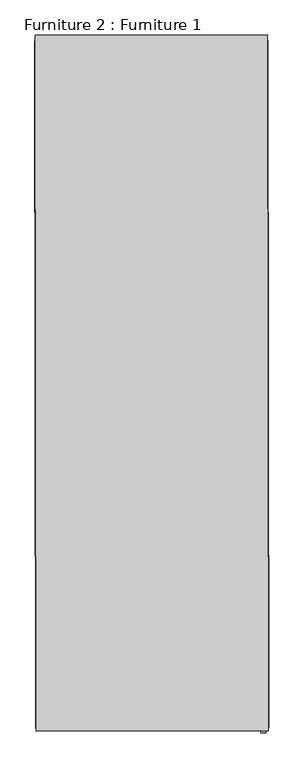
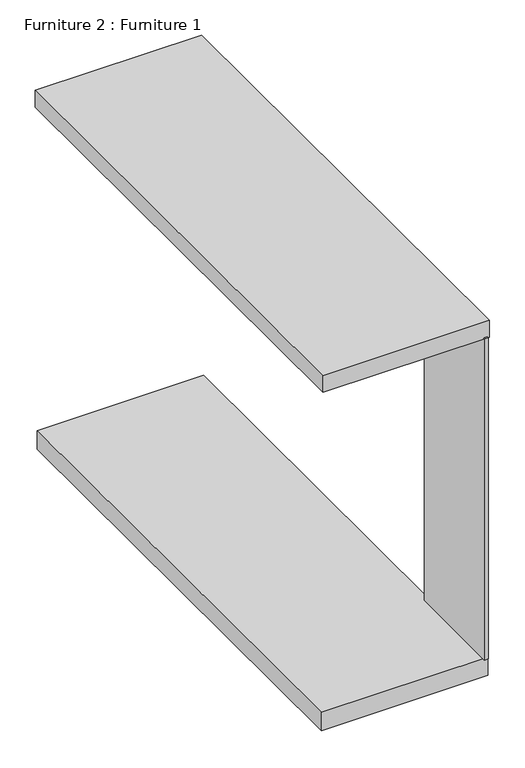
"""IFC4 building model written with IfcOpenShell, lengths in millimetres: furniture geometry, Furniture 2 : Furniture 1."""

from ifc_helpers import new_model, si_unit, frame, origin, place, context, project, spatial, polyline, outline, extrude, source, transform, mapped, element, save


def furniture_2_furniture_1_8a51887e(model_context):
    return source(origin(), model_context, "Body", "SweptSolid", [
        extrude(outline(polyline([(-45007.0922467, 46398.1433164), (-45015.049007, 46398.1595719), (-45014.6017786, 46617.0693891), (-45006.6450182, 46617.0531336), (-45007.0922467, 46398.1433164)])), frame((0.0, 0.0, 109604.9372463), z_axis=(0.0, 0.0, 1.0), x_axis=(1.0, 0.0, 0.0)), (0.0, 0.0, 1.0), 712.4977865),
        extrude(outline(polyline([(-45354.0235929, 47444.8714633), (-45004.7119916, 47445.3873746), (-45003.169854, 46401.2417137), (-45352.4814553, 46400.7258023), (-45354.0235929, 47444.8714633)])), frame((0.0, 0.0, 110315.1862888), z_axis=(0.0, 0.0, 1.0), x_axis=(1.0, 0.0, 0.0)), (0.0, 0.0, 1.0), 37.0266931),
        extrude(outline(polyline([(-45354.3009794, 47436.6428925), (-45004.5066488, 47437.1595168), (-45002.9838596, 46406.1142327), (-45352.7781902, 46405.5976084), (-45354.3009794, 47436.6428925)])), frame((0.0, 0.0, 109561.7189984), z_axis=(0.0, 0.0, 1.0), x_axis=(1.0, 0.0, 0.0)), (0.0, 0.0, 1.0), 40.718248),
    ])


if __name__ == "__main__":
    model = new_model("IFC4")
    model_context = context("Model", 3, world=origin())
    ifc_project = project(units=[si_unit("LENGTHUNIT", "METRE", prefix="MILLI")], contexts=[model_context])
    site = spatial("IfcSite", under=ifc_project)
    building = spatial("IfcBuilding", under=site)
    placement = place(None, origin())
    furniture_2_furniture_1_shape = furniture_2_furniture_1_8a51887e(model_context)
    element("IfcFurniture", 1, ObjectType="Furniture 2 : Furniture 1", at=placement, inside=building, context=model_context, shape_type="MappedRepresentation", body=[
        mapped(furniture_2_furniture_1_shape, transform((0.0, 0.0, 0.0), x_axis=(1.0, 0.0, 0.0), y_axis=(0.0, 1.0, 0.0), z_axis=(0.0, 0.0, 1.0))),
    ])
    save(model, "model.ifc")
